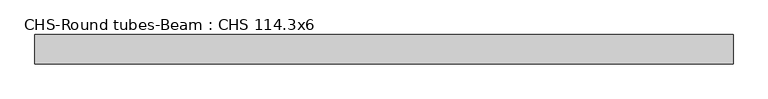
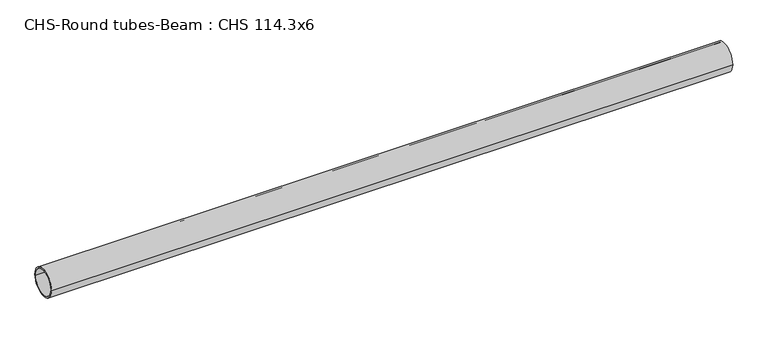
"""IFC4 building model written with IfcOpenShell, lengths in millimetres: beam geometry, CHS-Round tubes-Beam : CHS 114.3x6."""

from ifc_helpers import new_model, si_unit, point, frame, origin, origin_2d, place, context, project, spatial, circle_curve, trimmed, segment, composite_curve, outline, extrude, source, transform, mapped, element, save


def chs_round_tubes_beam_chs_114_3x6_0269ac19(model_context):
    return source(origin(), model_context, "Body", "SweptSolid", [
        extrude(outline(composite_curve([segment(trimmed(circle_curve(origin_2d(), 57.15), [point((57.15, 0.0))], [point((-57.15, 0.0))], False, "CARTESIAN"), True, "CONTINUOUS"), segment(trimmed(circle_curve(origin_2d(), 57.15), [point((-57.15, 0.0))], [point((57.15, 0.0))], False, "CARTESIAN"), True, "CONTINUOUS")], self_intersect=False), holes=[composite_curve([segment(trimmed(circle_curve(origin_2d(), 51.15), [point((51.15, 0.0))], [point((-51.15, 0.0))], True, "CARTESIAN"), True, "CONTINUOUS"), segment(trimmed(circle_curve(origin_2d(), 51.15), [point((-51.15, 0.0))], [point((51.15, 0.0))], True, "CARTESIAN"), True, "CONTINUOUS")], self_intersect=False)]), frame((-1326.1253926, 0.0, 0.0), z_axis=(1.0, 0.0, 0.0), x_axis=(0.0, 1.0, 0.0)), (0.0, 0.0, 1.0), 2732.0698792),
    ])


if __name__ == "__main__":
    model = new_model("IFC4")
    model_context = context("Model", 3, world=origin())
    ifc_project = project(units=[si_unit("LENGTHUNIT", "METRE", prefix="MILLI")], contexts=[model_context])
    site = spatial("IfcSite", under=ifc_project)
    building = spatial("IfcBuilding", under=site)
    placement = place(None, origin())
    chs_round_tubes_beam_chs_114_3x6_shape = chs_round_tubes_beam_chs_114_3x6_0269ac19(model_context)
    element("IfcBeam", 1, ObjectType="CHS-Round tubes-Beam : CHS 114.3x6", at=placement, inside=building, context=model_context, shape_type="MappedRepresentation", body=[
        mapped(chs_round_tubes_beam_chs_114_3x6_shape, transform((0.0, 0.0, 0.0), x_axis=(1.0, 0.0, 0.0), y_axis=(0.0, 1.0, 0.0), z_axis=(0.0, 0.0, 1.0))),
    ])
    save(model, "model.ifc")
